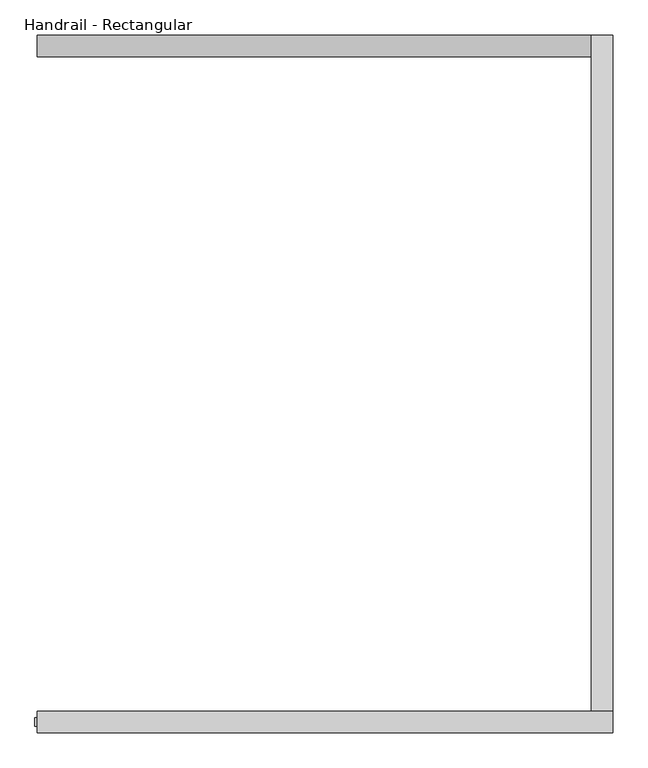
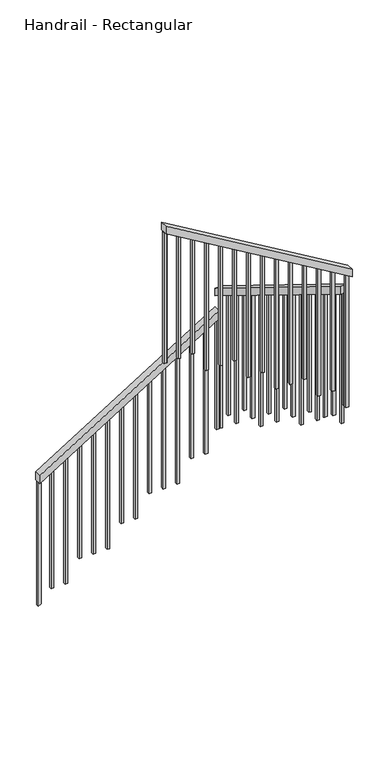
"""IFC4 building model written with IfcOpenShell, lengths in millimetres: railing geometry, Handrail - Rectangular."""

import ifcopenshell
import ifcopenshell.guid

model = None  # the IFC model being written
_history = None  # IfcOwnerHistory: only IFC2X3 demands one
_inside = {}  # id of a spatial element -> (the spatial element, [elements in it])
_under = {}  # id of a project, library or spatial element -> (it, [spatial elements below it])
_declared = {}  # id of a project -> (the project, [libraries it declares])
_typed = {}  # id of a type object -> (the type object, [elements of that type])
_made_of = {}  # id of a material, layer set ... -> (it, [elements and type objects made of it])


def new_model(schema):
    """Start an empty IFC model of exactly this schema.

    Asked for "IFC4X3", IfcOpenShell would pick the latest addendum, in which some entities
    have other attributes; the version numbers below select the first issue.
    IFC2X3 requires an IfcOwnerHistory on every rooted entity: one is made here for all.
    """
    global model, _history
    if schema == "IFC4X3":
        model = ifcopenshell.file(schema_version=(4, 3, 0, 0))
    else:
        model = ifcopenshell.file(schema=schema)
    _inside.clear()
    _under.clear()
    _declared.clear()
    _typed.clear()
    _made_of.clear()
    _history = None
    if model.schema == "IFC2X3":
        org = make("IfcOrganization", Name="unknown")
        user = make(
            "IfcPersonAndOrganization",
            ThePerson=make("IfcPerson", FamilyName="unknown"),
            TheOrganization=org,
        )
        app = make(
            "IfcApplication",
            ApplicationDeveloper=org,
            Version="unknown",
            ApplicationFullName="unknown",
            ApplicationIdentifier="unknown",
        )
        _history = make(
            "IfcOwnerHistory",
            OwningUser=user,
            OwningApplication=app,
            ChangeAction="ADDED",
            CreationDate=0,
        )
    return model


def make(cls, **values):
    """One entity of the class cls with the attributes given. An attribute that is None is left unset."""
    return model.create_entity(
        cls, **{name: value for name, value in values.items() if value is not None}
    )


def rooted(cls, **values):
    """An entity with a GlobalId (a new one), such as an element, a storey or a relation."""
    return make(cls, GlobalId=ifcopenshell.guid.new(), OwnerHistory=_history, **values)


def si_unit(unit_type, name, prefix=None):
    """IfcSIUnit, for example si_unit("LENGTHUNIT", "METRE", prefix="MILLI")."""
    return make("IfcSIUnit", UnitType=unit_type, Prefix=prefix, Name=name)


def assignment(units):
    """IfcUnitAssignment: the units of a project."""
    return None if units is None else make("IfcUnitAssignment", Units=units)


def point(xyz):
    """IfcCartesianPoint."""
    return None if xyz is None else make("IfcCartesianPoint", Coordinates=xyz)


def direction(xyz):
    """IfcDirection."""
    return None if xyz is None else make("IfcDirection", DirectionRatios=xyz)


def frame(location, z_axis=None, x_axis=None):
    """IfcAxis2Placement3D, a coordinate frame: its origin and axes. An axis left out is left unset."""
    return make(
        "IfcAxis2Placement3D",
        Location=point(location),
        Axis=direction(z_axis),
        RefDirection=direction(x_axis),
    )


def origin():
    """The frame at (0, 0, 0) with its axes left unset."""
    return frame((0.0, 0.0, 0.0))


def place(relative_to, where):
    """IfcLocalPlacement: puts the frame where relative to a parent placement (None: the world)."""
    return make(
        "IfcLocalPlacement", PlacementRelTo=relative_to, RelativePlacement=where
    )


def context(
    kind, dimensions, precision=None, world=None, true_north=None, identifier=None
):
    """IfcGeometricRepresentationContext, for example the 3D "Model" context."""
    return make(
        "IfcGeometricRepresentationContext",
        ContextIdentifier=identifier,
        ContextType=kind,
        CoordinateSpaceDimension=dimensions,
        Precision=precision,
        WorldCoordinateSystem=world,
        TrueNorth=true_north,
    )


def project(units=None, contexts=None):
    """IfcProject with its units and contexts."""
    return rooted(
        "IfcProject",
        Name="project",
        RepresentationContexts=contexts,
        UnitsInContext=assignment(units),
    )


def spatial(cls, under=None, at=None, **own):
    """A site, building, storey or space (cls), placed at a placement, below another one or the project."""
    s = rooted(cls, ObjectPlacement=at, **own)
    if under is not None:
        _under.setdefault(under.id(), (under, []))[1].append(s)
    return s


def polyline(points):
    """IfcPolyline through the points."""
    return make("IfcPolyline", Points=[point(p) for p in points])


def outline(outer, holes=None, kind="AREA"):
    """IfcArbitraryClosedProfileDef: a profile drawn as a closed curve; with holes, ...WithVoids."""
    if holes is None:
        return make("IfcArbitraryClosedProfileDef", ProfileType=kind, OuterCurve=outer)
    return make(
        "IfcArbitraryProfileDefWithVoids",
        ProfileType=kind,
        OuterCurve=outer,
        InnerCurves=holes,
    )


def extrude(swept, where, along, depth):
    """IfcExtrudedAreaSolid: the profile swept, set in the frame where, extruded along a direction by depth."""
    return make(
        "IfcExtrudedAreaSolid",
        SweptArea=swept,
        Position=where,
        ExtrudedDirection=direction(along),
        Depth=depth,
    )


def shape(context_of_items, identifier, shape_type, items):
    """IfcShapeRepresentation: the items that make up one representation, for example the "Body"."""
    return make(
        "IfcShapeRepresentation",
        ContextOfItems=context_of_items,
        RepresentationIdentifier=identifier,
        RepresentationType=shape_type,
        Items=items,
    )


def source(mapping_origin, context_of_items, identifier, shape_type, items):
    """IfcRepresentationMap: a shape defined once, which mapped items show again and again."""
    return make(
        "IfcRepresentationMap",
        MappingOrigin=mapping_origin,
        MappedRepresentation=shape(context_of_items, identifier, shape_type, items),
    )


def transform(
    local_origin,
    x_axis=None,
    y_axis=None,
    z_axis=None,
    scale=None,
    scale2=None,
    scale3=None,
    uniform=True,
):
    """IfcCartesianTransformationOperator3D, or its non-uniform kind. x_axis, y_axis, z_axis: its Axis1, 2, 3."""
    if uniform:
        return make(
            "IfcCartesianTransformationOperator3D",
            Axis1=direction(x_axis),
            Axis2=direction(y_axis),
            LocalOrigin=point(local_origin),
            Scale=scale,
            Axis3=direction(z_axis),
        )
    return make(
        "IfcCartesianTransformationOperator3DnonUniform",
        Axis1=direction(x_axis),
        Axis2=direction(y_axis),
        LocalOrigin=point(local_origin),
        Scale=scale,
        Axis3=direction(z_axis),
        Scale2=scale2,
        Scale3=scale3,
    )


def mapped(mapping_source, mapping_target):
    """IfcMappedItem: shows the shape of a source again, moved by a transform."""
    return make(
        "IfcMappedItem", MappingSource=mapping_source, MappingTarget=mapping_target
    )


def made_of(thing, what):
    """Note that an element or type object is made of a material, layer set ...; save() writes the relation."""
    if what is not None:
        _made_of.setdefault(what.id(), (what, []))[1].append(thing)
    return thing


def element(
    cls,
    number,
    at=None,
    inside=None,
    cuts=None,
    type_object=None,
    material=None,
    context=None,
    identifier="Body",
    shape_type=None,
    held_by="IfcProductDefinitionShape",
    body=None,
    shapes=None,
    **own,
):
    """One element of the class cls, such as IfcWall. Its Tag is "e" and its number.

    at: its placement. inside: the storey or other place that contains it. cuts: it is an
    opening in that element (IfcRelVoidsElement). A single representation is given by context,
    identifier, shape_type and body (its items); several are given by shapes. held_by: the class
    of the entity that holds the representations. save() writes the other relations.
    """
    e = rooted(cls, Tag="e%d" % number, ObjectPlacement=at, **own)
    if body is not None:
        shapes = [shape(context, identifier, shape_type, body)]
    if shapes is not None:
        e.Representation = make(held_by, Representations=shapes)
    if inside is not None:
        _inside.setdefault(inside.id(), (inside, []))[1].append(e)
    if cuts is not None:
        rooted(
            "IfcRelVoidsElement", RelatingBuildingElement=cuts, RelatedOpeningElement=e
        )
    if type_object is not None:
        _typed.setdefault(type_object.id(), (type_object, []))[1].append(e)
    return made_of(e, material)


def aggregate(whole, parts):
    """IfcRelAggregates: a whole, such as a stair, and the parts it consists of."""
    return rooted("IfcRelAggregates", RelatingObject=whole, RelatedObjects=parts)


def save(model, path):
    """Write the relations noted so far, then the file.

    IfcRelAggregates (storeys below a building ...), IfcRelContainedInSpatialStructure (elements
    in a storey), IfcRelDefinesByType, IfcRelAssociatesMaterial and IfcRelDeclares: one each for
    every whole, place, type object, material and project.
    """
    for whole, parts in _under.values():
        aggregate(whole, parts)
    for where, things in _inside.values():
        rooted(
            "IfcRelContainedInSpatialStructure",
            RelatedElements=things,
            RelatingStructure=where,
        )
    for kind, things in _typed.values():
        rooted("IfcRelDefinesByType", RelatedObjects=things, RelatingType=kind)
    for what, things in _made_of.values():
        rooted("IfcRelAssociatesMaterial", RelatedObjects=things, RelatingMaterial=what)
    for by, libraries in _declared.values():
        rooted("IfcRelDeclares", RelatingContext=by, RelatedDefinitions=libraries)
    model.write(path)


def handrail_rectangular_7bc4e486(model_context):
    return source(origin(), model_context, "Body", "SweptSolid", [
        extrude(outline(polyline([(1516.6330097, 3258.8044014), (1456.825048, 3258.8044014), (2264.5920382, 4558.8044014), (2324.4, 4558.8044014), (1516.6330097, 3258.8044014)])), frame((0.0, 2498.1686834, 0.0), z_axis=(0.0, 1.0, 0.0), x_axis=(0.0, 0.0, 1.0)), (0.0, 0.0, 1.0), 50.8),
        extrude(outline(polyline([(2548.9686834, 2468.7692308), (2548.9686834, 2409.1208965), (963.5686834, 3384.7516657), (963.5686834, 3444.4), (2548.9686834, 2468.7692308)])), frame((4558.8044014, 0.0, 0.0), z_axis=(1.0, 0.0, 0.0), x_axis=(0.0, 1.0, 0.0)), (0.0, 0.0, 1.0), 50.8),
        extrude(outline(polyline([(3530.2983981, 4609.6044014), (3589.3481481, 4609.6044014), (4389.8222222, 3258.8044014), (4330.7724722, 3258.8044014), (3530.2983981, 4609.6044014)])), frame((0.0, 912.7686834, 0.0), z_axis=(0.0, 1.0, 0.0), x_axis=(0.0, 0.0, 1.0)), (0.0, 0.0, 1.0), 50.8),
        extrude(outline(polyline([(4322.4021018, 3272.9294014), (4333.6909907, 3253.8794014), (3330.0, 3253.8794014), (3330.0, 3272.9294014), (4322.4021018, 3272.9294014)])), frame((0.0, 928.6436834, 0.0), z_axis=(0.0, 1.0, 0.0), x_axis=(0.0, 0.0, 1.0)), (0.0, 0.0, 1.0), 19.05),
        extrude(outline(polyline([(4262.1946944, 3374.5294014), (4273.4835833, 3355.4794014), (3330.0, 3355.4794014), (3330.0, 3374.5294014), (4262.1946944, 3374.5294014)])), frame((0.0, 928.6436834, 0.0), z_axis=(0.0, 1.0, 0.0), x_axis=(0.0, 0.0, 1.0)), (0.0, 0.0, 1.0), 19.05),
        extrude(outline(polyline([(4201.987287, 3476.1294014), (4213.2761759, 3457.0794014), (3330.0, 3457.0794014), (3330.0, 3476.1294014), (4201.987287, 3476.1294014)])), frame((0.0, 928.6436834, 0.0), z_axis=(0.0, 1.0, 0.0), x_axis=(0.0, 0.0, 1.0)), (0.0, 0.0, 1.0), 19.05),
        extrude(outline(polyline([(4141.7798796, 3577.7294014), (4153.0687685, 3558.6794014), (3170.0, 3558.6794014), (3170.0, 3577.7294014), (4141.7798796, 3577.7294014)])), frame((0.0, 928.6436834, 0.0), z_axis=(0.0, 1.0, 0.0), x_axis=(0.0, 0.0, 1.0)), (0.0, 0.0, 1.0), 19.05),
        extrude(outline(polyline([(4081.5724722, 3679.3294014), (4092.8613611, 3660.2794014), (3170.0, 3660.2794014), (3170.0, 3679.3294014), (4081.5724722, 3679.3294014)])), frame((0.0, 928.6436834, 0.0), z_axis=(0.0, 1.0, 0.0), x_axis=(0.0, 0.0, 1.0)), (0.0, 0.0, 1.0), 19.05),
        extrude(outline(polyline([(4021.3650648, 3780.9294014), (4032.6539537, 3761.8794014), (3170.0, 3761.8794014), (3170.0, 3780.9294014), (4021.3650648, 3780.9294014)])), frame((0.0, 928.6436834, 0.0), z_axis=(0.0, 1.0, 0.0), x_axis=(0.0, 0.0, 1.0)), (0.0, 0.0, 1.0), 19.05),
        extrude(outline(polyline([(3961.1576574, 3882.5294014), (3972.4465463, 3863.4794014), (3010.0, 3863.4794014), (3010.0, 3882.5294014), (3961.1576574, 3882.5294014)])), frame((0.0, 928.6436834, 0.0), z_axis=(0.0, 1.0, 0.0), x_axis=(0.0, 0.0, 1.0)), (0.0, 0.0, 1.0), 19.05),
        extrude(outline(polyline([(3900.95025, 3984.1294014), (3912.2391389, 3965.0794014), (3010.0, 3965.0794014), (3010.0, 3984.1294014), (3900.95025, 3984.1294014)])), frame((0.0, 928.6436834, 0.0), z_axis=(0.0, 1.0, 0.0), x_axis=(0.0, 0.0, 1.0)), (0.0, 0.0, 1.0), 19.05),
        extrude(outline(polyline([(3840.7428426, 4085.7294014), (3852.0317315, 4066.6794014), (2850.0, 4066.6794014), (2850.0, 4085.7294014), (3840.7428426, 4085.7294014)])), frame((0.0, 928.6436834, 0.0), z_axis=(0.0, 1.0, 0.0), x_axis=(0.0, 0.0, 1.0)), (0.0, 0.0, 1.0), 19.05),
        extrude(outline(polyline([(3780.5354352, 4187.3294014), (3791.8243241, 4168.2794014), (2850.0, 4168.2794014), (2850.0, 4187.3294014), (3780.5354352, 4187.3294014)])), frame((0.0, 928.6436834, 0.0), z_axis=(0.0, 1.0, 0.0), x_axis=(0.0, 0.0, 1.0)), (0.0, 0.0, 1.0), 19.05),
        extrude(outline(polyline([(3720.3280278, 4288.9294014), (3731.6169167, 4269.8794014), (2850.0, 4269.8794014), (2850.0, 4288.9294014), (3720.3280278, 4288.9294014)])), frame((0.0, 928.6436834, 0.0), z_axis=(0.0, 1.0, 0.0), x_axis=(0.0, 0.0, 1.0)), (0.0, 0.0, 1.0), 19.05),
        extrude(outline(polyline([(3660.1206204, 4390.5294014), (3671.4095092, 4371.4794014), (2690.0, 4371.4794014), (2690.0, 4390.5294014), (3660.1206204, 4390.5294014)])), frame((0.0, 928.6436834, 0.0), z_axis=(0.0, 1.0, 0.0), x_axis=(0.0, 0.0, 1.0)), (0.0, 0.0, 1.0), 19.05),
        extrude(outline(polyline([(3599.9132129, 4492.1294014), (3611.2021018, 4473.0794014), (2690.0, 4473.0794014), (2690.0, 4492.1294014), (3599.9132129, 4492.1294014)])), frame((0.0, 928.6436834, 0.0), z_axis=(0.0, 1.0, 0.0), x_axis=(0.0, 0.0, 1.0)), (0.0, 0.0, 1.0), 19.05),
        extrude(outline(polyline([(990.0436834, 3368.459358), (1009.0936834, 3356.7362811), (1009.0936834, 2370.0), (990.0436834, 2370.0), (990.0436834, 3368.459358)])), frame((4574.6794014, 0.0, 0.0), z_axis=(1.0, 0.0, 0.0), x_axis=(0.0, 1.0, 0.0)), (0.0, 0.0, 1.0), 19.05),
        extrude(outline(polyline([(1091.6436834, 3305.9362811), (1110.6936834, 3294.2132041), (1110.6936834, 2370.0), (1091.6436834, 2370.0), (1091.6436834, 3305.9362811)])), frame((4574.6794014, 0.0, 0.0), z_axis=(1.0, 0.0, 0.0), x_axis=(0.0, 1.0, 0.0)), (0.0, 0.0, 1.0), 19.05),
        extrude(outline(polyline([(1193.2436834, 3243.4132041), (1212.2936834, 3231.6901272), (1212.2936834, 2284.6372803), (1193.2436834, 2296.3603572), (1193.2436834, 3243.4132041)])), frame((4574.6794014, 0.0, 0.0), z_axis=(1.0, 0.0, 0.0), x_axis=(0.0, 1.0, 0.0)), (0.0, 0.0, 1.0), 19.05),
        extrude(outline(polyline([(1294.8436834, 3180.8901272), (1313.8936834, 3169.1670503), (1313.8936834, 2210.0), (1294.8436834, 2210.0), (1294.8436834, 3180.8901272)])), frame((4574.6794014, 0.0, 0.0), z_axis=(1.0, 0.0, 0.0), x_axis=(0.0, 1.0, 0.0)), (0.0, 0.0, 1.0), 19.05),
        extrude(outline(polyline([(1396.4436834, 3118.3670503), (1415.4936834, 3106.6439734), (1415.4936834, 2210.0), (1396.4436834, 2210.0), (1396.4436834, 3118.3670503)])), frame((4574.6794014, 0.0, 0.0), z_axis=(1.0, 0.0, 0.0), x_axis=(0.0, 1.0, 0.0)), (0.0, 0.0, 1.0), 19.05),
        extrude(outline(polyline([(1498.0436834, 3055.8439734), (1517.0936834, 3044.1208965), (1517.0936834, 2050.0), (1498.0436834, 2050.0), (1498.0436834, 3055.8439734)])), frame((4574.6794014, 0.0, 0.0), z_axis=(1.0, 0.0, 0.0), x_axis=(0.0, 1.0, 0.0)), (0.0, 0.0, 1.0), 19.05),
        extrude(outline(polyline([(1599.6436834, 2993.3208965), (1618.6936834, 2981.5978195), (1618.6936834, 2050.0), (1599.6436834, 2050.0), (1599.6436834, 2993.3208965)])), frame((4574.6794014, 0.0, 0.0), z_axis=(1.0, 0.0, 0.0), x_axis=(0.0, 1.0, 0.0)), (0.0, 0.0, 1.0), 19.05),
        extrude(outline(polyline([(1701.2436834, 2930.7978195), (1720.2936834, 2919.0747426), (1720.2936834, 2050.0), (1701.2436834, 2050.0), (1701.2436834, 2930.7978195)])), frame((4574.6794014, 0.0, 0.0), z_axis=(1.0, 0.0, 0.0), x_axis=(0.0, 1.0, 0.0)), (0.0, 0.0, 1.0), 19.05),
        extrude(outline(polyline([(1802.8436834, 2868.2747426), (1821.8936834, 2856.5516657), (1821.8936834, 1890.0), (1802.8436834, 1890.0), (1802.8436834, 2868.2747426)])), frame((4574.6794014, 0.0, 0.0), z_axis=(1.0, 0.0, 0.0), x_axis=(0.0, 1.0, 0.0)), (0.0, 0.0, 1.0), 19.05),
        extrude(outline(polyline([(1904.4436834, 2805.7516657), (1923.4936834, 2794.0285888), (1923.4936834, 1890.0), (1904.4436834, 1890.0), (1904.4436834, 2805.7516657)])), frame((4574.6794014, 0.0, 0.0), z_axis=(1.0, 0.0, 0.0), x_axis=(0.0, 1.0, 0.0)), (0.0, 0.0, 1.0), 19.05),
        extrude(outline(polyline([(2006.0436834, 2743.2285888), (2025.0936834, 2731.5055118), (2025.0936834, 1730.0), (2006.0436834, 1730.0), (2006.0436834, 2743.2285888)])), frame((4574.6794014, 0.0, 0.0), z_axis=(1.0, 0.0, 0.0), x_axis=(0.0, 1.0, 0.0)), (0.0, 0.0, 1.0), 19.05),
        extrude(outline(polyline([(2107.6436834, 2680.7055118), (2126.6936834, 2668.9824349), (2126.6936834, 1730.0), (2107.6436834, 1730.0), (2107.6436834, 2680.7055118)])), frame((4574.6794014, 0.0, 0.0), z_axis=(1.0, 0.0, 0.0), x_axis=(0.0, 1.0, 0.0)), (0.0, 0.0, 1.0), 19.05),
        extrude(outline(polyline([(2209.2436834, 2618.1824349), (2228.2936834, 2606.459358), (2228.2936834, 1730.0), (2209.2436834, 1730.0), (2209.2436834, 2618.1824349)])), frame((4574.6794014, 0.0, 0.0), z_axis=(1.0, 0.0, 0.0), x_axis=(0.0, 1.0, 0.0)), (0.0, 0.0, 1.0), 19.05),
        extrude(outline(polyline([(2310.8436834, 2555.659358), (2329.8936834, 2543.9362811), (2329.8936834, 1570.0), (2310.8436834, 1570.0), (2310.8436834, 2555.659358)])), frame((4574.6794014, 0.0, 0.0), z_axis=(1.0, 0.0, 0.0), x_axis=(0.0, 1.0, 0.0)), (0.0, 0.0, 1.0), 19.05),
        extrude(outline(polyline([(2412.4436834, 2493.1362811), (2431.4936834, 2481.4132041), (2431.4936834, 1570.0), (2412.4436834, 1570.0), (2412.4436834, 2493.1362811)])), frame((4574.6794014, 0.0, 0.0), z_axis=(1.0, 0.0, 0.0), x_axis=(0.0, 1.0, 0.0)), (0.0, 0.0, 1.0), 19.05),
        extrude(outline(polyline([(2220.3046596, 4487.5294014), (2208.4677664, 4468.4794014), (1250.0, 4468.4794014), (1250.0, 4487.5294014), (2220.3046596, 4487.5294014)])), frame((0.0, 2514.0436834, 0.0), z_axis=(0.0, 1.0, 0.0), x_axis=(0.0, 0.0, 1.0)), (0.0, 0.0, 1.0), 19.05),
        extrude(outline(polyline([(2157.1745625, 4385.9294014), (2145.3376693, 4366.8794014), (1250.0, 4366.8794014), (1250.0, 4385.9294014), (2157.1745625, 4385.9294014)])), frame((0.0, 2514.0436834, 0.0), z_axis=(0.0, 1.0, 0.0), x_axis=(0.0, 0.0, 1.0)), (0.0, 0.0, 1.0), 19.05),
        extrude(outline(polyline([(2094.0444654, 4284.3294014), (2082.2075722, 4265.2794014), (1090.0, 4265.2794014), (1090.0, 4284.3294014), (2094.0444654, 4284.3294014)])), frame((0.0, 2514.0436834, 0.0), z_axis=(0.0, 1.0, 0.0), x_axis=(0.0, 0.0, 1.0)), (0.0, 0.0, 1.0), 19.05),
        extrude(outline(polyline([(2030.9143683, 4182.7294014), (2019.0774751, 4163.6794014), (1090.0, 4163.6794014), (1090.0, 4182.7294014), (2030.9143683, 4182.7294014)])), frame((0.0, 2514.0436834, 0.0), z_axis=(0.0, 1.0, 0.0), x_axis=(0.0, 0.0, 1.0)), (0.0, 0.0, 1.0), 19.05),
        extrude(outline(polyline([(1967.7842713, 4081.1294014), (1955.947378, 4062.0794014), (1090.0, 4062.0794014), (1090.0, 4081.1294014), (1967.7842713, 4081.1294014)])), frame((0.0, 2514.0436834, 0.0), z_axis=(0.0, 1.0, 0.0), x_axis=(0.0, 0.0, 1.0)), (0.0, 0.0, 1.0), 19.05),
        extrude(outline(polyline([(1904.6541742, 3979.5294014), (1892.817281, 3960.4794014), (930.0, 3960.4794014), (930.0, 3979.5294014), (1904.6541742, 3979.5294014)])), frame((0.0, 2514.0436834, 0.0), z_axis=(0.0, 1.0, 0.0), x_axis=(0.0, 0.0, 1.0)), (0.0, 0.0, 1.0), 19.05),
        extrude(outline(polyline([(1841.5240771, 3877.9294014), (1829.6871839, 3858.8794014), (930.0, 3858.8794014), (930.0, 3877.9294014), (1841.5240771, 3877.9294014)])), frame((0.0, 2514.0436834, 0.0), z_axis=(0.0, 1.0, 0.0), x_axis=(0.0, 0.0, 1.0)), (0.0, 0.0, 1.0), 19.05),
        extrude(outline(polyline([(1778.39398, 3776.3294014), (1766.5570868, 3757.2794014), (770.0, 3757.2794014), (770.0, 3776.3294014), (1778.39398, 3776.3294014)])), frame((0.0, 2514.0436834, 0.0), z_axis=(0.0, 1.0, 0.0), x_axis=(0.0, 0.0, 1.0)), (0.0, 0.0, 1.0), 19.05),
        extrude(outline(polyline([(1715.2638829, 3674.7294014), (1703.4269897, 3655.6794014), (770.0, 3655.6794014), (770.0, 3674.7294014), (1715.2638829, 3674.7294014)])), frame((0.0, 2514.0436834, 0.0), z_axis=(0.0, 1.0, 0.0), x_axis=(0.0, 0.0, 1.0)), (0.0, 0.0, 1.0), 19.05),
        extrude(outline(polyline([(1652.1337858, 3573.1294014), (1640.2968926, 3554.0794014), (770.0, 3554.0794014), (770.0, 3573.1294014), (1652.1337858, 3573.1294014)])), frame((0.0, 2514.0436834, 0.0), z_axis=(0.0, 1.0, 0.0), x_axis=(0.0, 0.0, 1.0)), (0.0, 0.0, 1.0), 19.05),
        extrude(outline(polyline([(1589.0036887, 3471.5294014), (1577.1667955, 3452.4794014), (610.0, 3452.4794014), (610.0, 3471.5294014), (1589.0036887, 3471.5294014)])), frame((0.0, 2514.0436834, 0.0), z_axis=(0.0, 1.0, 0.0), x_axis=(0.0, 0.0, 1.0)), (0.0, 0.0, 1.0), 19.05),
        extrude(outline(polyline([(1525.8735916, 3369.9294014), (1514.0366984, 3350.8794014), (610.0, 3350.8794014), (610.0, 3369.9294014), (1525.8735916, 3369.9294014)])), frame((0.0, 2514.0436834, 0.0), z_axis=(0.0, 1.0, 0.0), x_axis=(0.0, 0.0, 1.0)), (0.0, 0.0, 1.0), 19.05),
        extrude(outline(polyline([(3539.7058055, 4593.7294014), (3550.9946944, 4574.6794014), (2530.0, 4574.6794014), (2530.0, 4593.7294014), (3539.7058055, 4593.7294014)])), frame((0.0, 928.6436834, 0.0), z_axis=(0.0, 1.0, 0.0), x_axis=(0.0, 0.0, 1.0)), (0.0, 0.0, 1.0), 19.05),
        extrude(outline(polyline([(954.0436834, 3390.6132041), (973.0936834, 3378.8901272), (973.0936834, 2530.0), (954.0436834, 2530.0), (954.0436834, 3390.6132041)])), frame((4574.6794014, 0.0, 0.0), z_axis=(1.0, 0.0, 0.0), x_axis=(0.0, 1.0, 0.0)), (0.0, 0.0, 1.0), 19.05),
        extrude(outline(polyline([(2514.0436834, 2430.6132041), (2533.0936834, 2418.8901272), (2533.0936834, 1410.0), (2514.0436834, 1410.0), (2514.0436834, 2430.6132041)])), frame((4574.6794014, 0.0, 0.0), z_axis=(1.0, 0.0, 0.0), x_axis=(0.0, 1.0, 0.0)), (0.0, 0.0, 1.0), 19.05),
        extrude(outline(polyline([(2270.5104848, 4568.3294014), (2258.6735916, 4549.2794014), (1410.0, 4549.2794014), (1410.0, 4568.3294014), (2270.5104848, 4568.3294014)])), frame((0.0, 2514.0436834, 0.0), z_axis=(0.0, 1.0, 0.0), x_axis=(0.0, 0.0, 1.0)), (0.0, 0.0, 1.0), 19.05),
        extrude(outline(polyline([(4319.4835833, 3277.8544014), (4330.7724722, 3258.8044014), (3330.0, 3258.8044014), (3330.0, 3277.8544014), (4319.4835833, 3277.8544014)])), frame((0.0, 928.6436834, 0.0), z_axis=(0.0, 1.0, 0.0), x_axis=(0.0, 0.0, 1.0)), (0.0, 0.0, 1.0), 19.05),
        extrude(outline(polyline([(1468.6619412, 3277.8544014), (1456.825048, 3258.8044014), (510.5383038, 3258.8044014), (522.375197, 3277.8544014), (1468.6619412, 3277.8544014)])), frame((0.0, 2514.0436834, 0.0), z_axis=(0.0, 1.0, 0.0), x_axis=(0.0, 0.0, 1.0)), (0.0, 0.0, 1.0), 19.05),
    ])


if __name__ == "__main__":
    model = new_model("IFC4")
    model_context = context("Model", 3, world=origin())
    ifc_project = project(units=[si_unit("LENGTHUNIT", "METRE", prefix="MILLI")], contexts=[model_context])
    site = spatial("IfcSite", under=ifc_project)
    building = spatial("IfcBuilding", under=site)
    placement = place(None, origin())
    handrail_rectangular_shape = handrail_rectangular_7bc4e486(model_context)
    element("IfcRailing", 1, ObjectType="Handrail - Rectangular", at=placement, inside=building, context=model_context, shape_type="MappedRepresentation", body=[
        mapped(handrail_rectangular_shape, transform((0.0, 0.0, 0.0), x_axis=(1.0, 0.0, 0.0), y_axis=(0.0, 1.0, 0.0), z_axis=(0.0, 0.0, 1.0))),
    ])
    save(model, "model.ifc")
